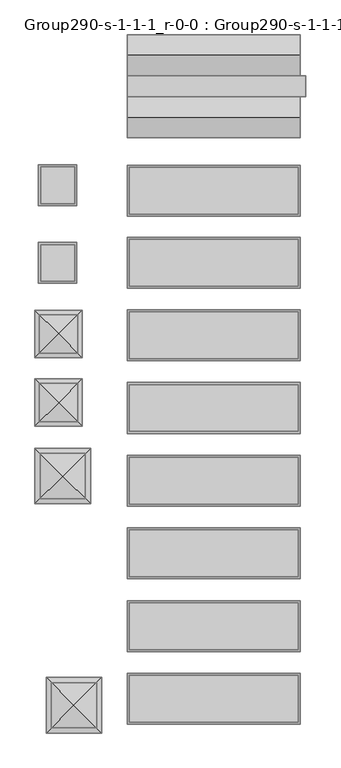
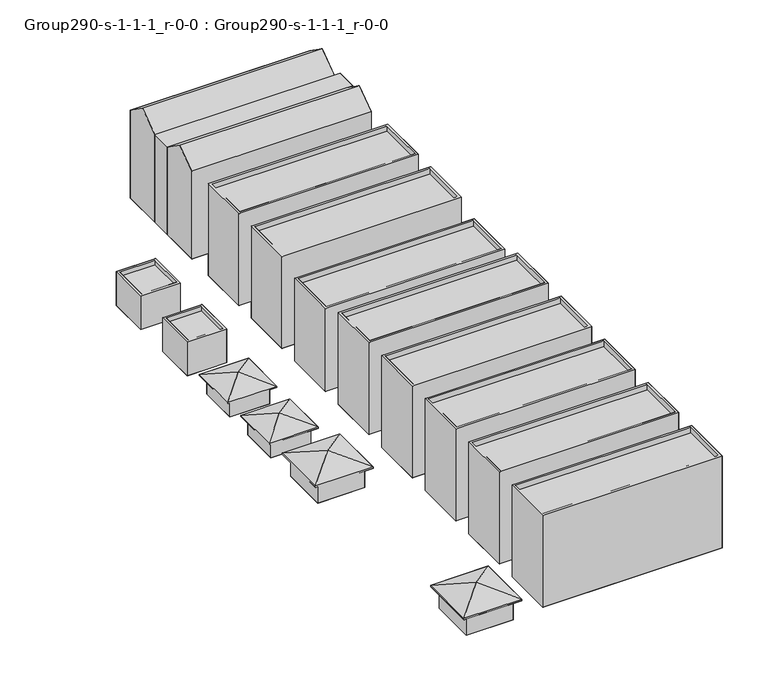
"""IFC4 building model written with IfcOpenShell, lengths in millimetres: geographic element geometry, Group290-s-1-1-1_r-0-0 : Group290-s-1-1-1_r-0-0."""

from ifc_helpers import new_model, si_unit, origin, place, context, project, spatial, triangles, source, transform, mapped, element, save


def group290_s_1_1_1_r_0_0_group290_s_1_1_1_r_0_0_4d778799(model_context):
    return source(origin(), model_context, "Body", "Tessellation", [
        triangles([(-484.1962446, 39887.0258057, 4797.1984634), (-4632.0161041, 44034.8470459, 3327.6114212), (-4632.0161041, 35739.2045654, 3327.6114212), (3663.6237602, 44034.8470459, 3327.6114212), (3663.6237602, 35739.2045654, 3327.6114212), (3663.6237602, 44034.8470459, 3120.4449966), (-4632.0161041, 35739.2045654, 3120.4449966), (-4632.0161041, 44034.8470459, 3120.4449966), (3663.6237602, 35739.2045654, 3120.4449966), (2883.3356323, 43254.5551392, 0.0), (-3851.7282669, 36519.4941467, 0.0), (-3851.7282669, 43254.5551392, 0.0), (2883.3356323, 36519.4941467, 0.0), (2883.3356323, 36519.4941467, 3327.6114212), (-3851.7282669, 36519.4941467, 3327.6114212), (2883.3356323, 43254.5551392, 3327.6114212), (-3851.7282669, 43254.5551392, 3327.6114212), (-1106.3692417, 61026.3029297, 4077.6185486), (-4632.0161041, 64551.9481934, 2828.4695045), (-4632.0161041, 57500.6530151, 2828.4695045), (2419.277766, 64551.9481934, 2828.4695045), (2419.277766, 57500.6530151, 2828.4695045), (2419.277766, 64551.9481934, 2652.3782181), (-4632.0161041, 57500.6530151, 2652.3782181), (-4632.0161041, 64551.9481934, 2652.3782181), (2419.277766, 57500.6530151, 2652.3782181), (1756.03293, 63888.7049561, 0.0), (-3968.7714134, 58163.9009033, 0.0), (-3968.7714134, 63888.7049561, 0.0), (1756.03293, 58163.9009033, 0.0), (1756.03293, 58163.9009033, 2828.4695045), (-3968.7714134, 58163.9009033, 2828.4695045), (1756.03293, 63888.7049561, 2828.4695045), (-3968.7714134, 63888.7049561, 2828.4695045), (-1106.3692417, 50798.0388794, 4077.6185486), (-4632.0161041, 54323.6887939, 2828.4695045), (-4632.0161041, 47272.3936157, 2828.4695045), (2419.277766, 54323.6887939, 2828.4695045), (2419.277766, 47272.3936157, 2828.4695045), (2419.277766, 54323.6887939, 2652.3782181), (-4632.0161041, 47272.3936157, 2652.3782181), (-4632.0161041, 54323.6887939, 2652.3782181), (2419.277766, 47272.3936157, 2652.3782181), (1756.03293, 53660.4409058, 0.0), (-3968.7714134, 47935.636853, 0.0), (-3968.7714134, 53660.4409058, 0.0), (1756.03293, 47935.636853, 0.0), (1756.03293, 47935.636853, 2828.4695045), (-3968.7714134, 47935.636853, 2828.4695045), (1756.03293, 53660.4409058, 2828.4695045), (-3968.7714134, 53660.4409058, 2828.4695045), (1166.3788055, 5832.0841324, 4797.1984634), (-2981.441272, 9979.9047913, 3327.6114212), (-2981.441272, 1684.2643456, 3327.6114212), (5314.1988831, 9979.9047913, 3327.6114212), (5314.1988831, 1684.2643456, 3327.6114212), (5314.1988831, 9979.9047913, 3120.4449966), (-2981.441272, 1684.2643456, 3120.4449966), (-2981.441272, 9979.9047913, 3120.4449966), (5314.1988831, 1684.2643456, 3120.4449966), (4533.9107552, 9199.6163727, 0.0), (-2201.1531441, 2464.5524734, 0.0), (-2201.1531441, 9199.6163727, 0.0), (4533.9107552, 2464.5524734, 0.0), (4533.9107552, 2464.5524734, 3327.6114212), (-2201.1531441, 2464.5524734, 3327.6114212), (4533.9107552, 9199.6163727, 3327.6114212), (-2201.1531441, 9199.6163727, 3327.6114212), (9070.9329483, 3000.8642143, 0.0), (9070.9329483, 10585.9387299, 13963.8069672), (9070.9329483, 10585.9387299, 0.0), (9070.9329483, 3000.8642143, 13963.8069672), (9375.7329483, 3305.6642143, 13963.8069672), (9375.7329483, 10281.1387299, 13140.8467346), (9375.7329483, 10281.1387299, 13963.8069672), (9375.7329483, 3305.6642143, 13140.8467346), (34840.1315369, 3000.8642143, 13963.8069672), (34840.1315369, 3000.8642143, 0.0), (34840.1315369, 10585.9387299, 13963.8069672), (34535.3315369, 10281.1387299, 13963.8069672), (34535.3315369, 3305.6642143, 13963.8069672), (34535.3315369, 3305.6642143, 13140.8467346), (34840.1315369, 10585.9387299, 0.0), (34535.3315369, 10281.1387299, 13140.8467346), (9070.9329483, 46218.1695923, 0.0), (9070.9329483, 53803.2461426, 13963.8069672), (9070.9329483, 53803.2461426, 0.0), (9070.9329483, 46218.1695923, 13963.8069672), (9375.7329483, 46522.9695923, 13963.8069672), (9375.7329483, 53498.4461426, 13140.8467346), (9375.7329483, 53498.4461426, 13963.8069672), (9375.7329483, 46522.9695923, 13140.8467346), (34840.1315369, 46218.1695923, 13963.8069672), (34840.1315369, 46218.1695923, 0.0), (34840.1315369, 53803.2461426, 13963.8069672), (34535.3315369, 53498.4461426, 13963.8069672), (34535.3315369, 46522.9695923, 13963.8069672), (34535.3315369, 46522.9695923, 13140.8467346), (34840.1315369, 53803.2461426, 0.0), (34535.3315369, 53498.4461426, 13140.8467346), (9070.9329483, 67826.8227173, 0.0), (9070.9329483, 75411.8992676, 13963.8069672), (9070.9329483, 75411.8992676, 0.0), (9070.9329483, 67826.8227173, 13963.8069672), (9375.7329483, 68131.6227173, 13963.8069672), (9375.7329483, 75107.0992676, 13140.8467346), (9375.7329483, 75107.0992676, 13963.8069672), (9375.7329483, 68131.6227173, 13140.8467346), (34840.1315369, 67826.8227173, 13963.8069672), (34840.1315369, 67826.8227173, 0.0), (34840.1315369, 75411.8992676, 13963.8069672), (34535.3315369, 75107.0992676, 13963.8069672), (34535.3315369, 68131.6227173, 13963.8069672), (34535.3315369, 68131.6227173, 13140.8467346), (34840.1315369, 75411.8992676, 0.0), (34535.3315369, 75107.0992676, 13140.8467346), (9070.9329483, 57022.4961548, 0.0), (34840.1315369, 64607.5727051, 0.0), (34840.1315369, 57022.4961548, 0.0), (9070.9329483, 64607.5727051, 0.0), (9375.7329483, 57327.2961548, 12597.1438751), (34535.3315369, 57327.2961548, 11774.1836426), (9375.7329483, 57327.2961548, 11774.1836426), (34535.3315369, 57327.2961548, 12597.1438751), (9070.9329483, 64607.5727051, 12597.1438751), (9070.9329483, 57022.4961548, 12597.1438751), (34840.1315369, 64607.5727051, 12597.1438751), (34840.1315369, 57022.4961548, 12597.1438751), (34535.3315369, 64302.7727051, 12597.1438751), (34535.3315369, 64302.7727051, 11774.1836426), (9375.7329483, 64302.7727051, 11774.1836426), (9375.7329483, 64302.7727051, 12597.1438751), (9070.9329483, 13805.1910675, 0.0), (9070.9329483, 21390.2664551, 13963.8069672), (9070.9329483, 21390.2664551, 0.0), (9070.9329483, 13805.1910675, 13963.8069672), (9375.7329483, 14109.9910675, 13963.8069672), (9375.7329483, 21085.4664551, 13140.8467346), (9375.7329483, 21085.4664551, 13963.8069672), (9375.7329483, 14109.9910675, 13140.8467346), (34840.1315369, 13805.1910675, 13963.8069672), (34840.1315369, 13805.1910675, 0.0), (34840.1315369, 21390.2664551, 13963.8069672), (34535.3315369, 21085.4664551, 13963.8069672), (34535.3315369, 14109.9910675, 13963.8069672), (34535.3315369, 14109.9910675, 13140.8467346), (34840.1315369, 21390.2664551, 0.0), (34535.3315369, 21085.4664551, 13140.8467346), (1578.1036743, 86152.4529785, 0.0), (-4099.9517784, 80084.0140869, 0.0), (-4099.9517784, 86152.4529785, 0.0), (1578.1036743, 80084.0140869, 0.0), (1273.3036743, 85847.6529785, 5139.5740768), (-3795.1517784, 85847.6529785, 4481.2061234), (1273.3036743, 85847.6529785, 4481.2061234), (-3795.1517784, 85847.6529785, 5139.5740768), (-4099.9517784, 86152.4529785, 5139.5740768), (1578.1036743, 86152.4529785, 5139.5740768), (1273.3036743, 80388.8140869, 4481.2061234), (-3795.1517784, 80388.8140869, 4481.2061234), (1578.1036743, 80084.0140869, 5139.5740768), (-3795.1517784, 80388.8140869, 5139.5740768), (1273.3036743, 80388.8140869, 5139.5740768), (-4099.9517784, 80084.0140869, 5139.5740768), (1578.1036743, 74614.5014282, 0.0), (-4099.9517784, 68546.0671875, 0.0), (-4099.9517784, 74614.5014282, 0.0), (1578.1036743, 68546.0671875, 0.0), (1273.3036743, 74309.7014282, 5139.5740768), (-3795.1517784, 74309.7014282, 4481.2061234), (1273.3036743, 74309.7014282, 4481.2061234), (-3795.1517784, 74309.7014282, 5139.5740768), (-4099.9517784, 74614.5014282, 5139.5740768), (1578.1036743, 74614.5014282, 5139.5740768), (1273.3036743, 68850.8671875, 4481.2061234), (-3795.1517784, 68850.8671875, 4481.2061234), (1578.1036743, 68546.0671875, 5139.5740768), (-3795.1517784, 68850.8671875, 5139.5740768), (1273.3036743, 68850.8671875, 5139.5740768), (-4099.9517784, 68546.0671875, 5139.5740768), (9070.9329483, 99399.3002197, 0.0), (34840.1315369, 105467.3577393, 0.0), (34840.1315369, 99399.3002197, 0.0), (9070.9329483, 105467.3577393, 0.0), (9070.9329483, 102433.3289795, 15462.9177887), (34840.1315369, 99399.3002197, 13333.4617218), (34840.1315369, 102433.3289795, 15462.9177887), (9070.9329483, 99399.3002197, 13333.4617218), (9070.9329483, 105467.3577393, 13333.4617218), (34840.1315369, 105467.3577393, 13333.4617218), (9070.9329483, 90199.7315186, 0.0), (34840.1315369, 96267.7983398, 0.0), (34840.1315369, 90199.7315186, 0.0), (9070.9329483, 96267.7983398, 0.0), (9070.9329483, 96267.7983398, 13333.4617218), (34840.1315369, 93233.7602783, 15462.9177887), (34840.1315369, 96267.7983398, 13333.4617218), (9070.9329483, 93233.7602783, 15462.9177887), (9070.9329483, 90199.7315186, 13333.4617218), (34840.1315369, 90199.7315186, 13333.4617218), (35654.5190369, 99399.3002197, 0.0), (35654.5190369, 96267.7983398, 0.0), (35654.5190369, 99399.3002197, 13333.4617218), (35654.5190369, 96267.7983398, 13333.4617218), (9070.9329483, 78511.0961426, 0.0), (9070.9329483, 86096.168042, 13963.8069672), (9070.9329483, 86096.168042, 0.0), (9070.9329483, 78511.0961426, 13963.8069672), (9375.7329483, 78815.8961426, 13963.8069672), (9375.7329483, 85791.368042, 13140.8467346), (9375.7329483, 85791.368042, 13963.8069672), (9375.7329483, 78815.8961426, 13140.8467346), (34840.1315369, 78511.0961426, 13963.8069672), (34840.1315369, 78511.0961426, 0.0), (34840.1315369, 86096.168042, 13963.8069672), (34535.3315369, 85791.368042, 13963.8069672), (34535.3315369, 78815.8961426, 13963.8069672), (34535.3315369, 78815.8961426, 13140.8467346), (34840.1315369, 86096.168042, 0.0), (34535.3315369, 85791.368042, 13140.8467346), (9070.9329483, 35413.8430298, 0.0), (9070.9329483, 42998.9195801, 13963.8069672), (9070.9329483, 42998.9195801, 0.0), (9070.9329483, 35413.8430298, 13963.8069672), (9375.7329483, 35718.6430298, 13963.8069672), (9375.7329483, 42694.1195801, 13140.8467346), (9375.7329483, 42694.1195801, 13963.8069672), (9375.7329483, 35718.6430298, 13140.8467346), (34840.1315369, 35413.8430298, 13963.8069672), (34840.1315369, 35413.8430298, 0.0), (34840.1315369, 42998.9195801, 13963.8069672), (34535.3315369, 42694.1195801, 13963.8069672), (34535.3315369, 35718.6430298, 13963.8069672), (34535.3315369, 35718.6430298, 13140.8467346), (34840.1315369, 42998.9195801, 0.0), (34535.3315369, 42694.1195801, 13140.8467346), (9070.9329483, 24609.5164673, 0.0), (9070.9329483, 32194.5930176, 13963.8069672), (9070.9329483, 32194.5930176, 0.0), (9070.9329483, 24609.5164673, 13963.8069672), (9375.7329483, 24914.3164673, 13963.8069672), (9375.7329483, 31889.7930176, 13140.8467346), (9375.7329483, 31889.7930176, 13963.8069672), (9375.7329483, 24914.3164673, 13140.8467346), (34840.1315369, 24609.5164673, 13963.8069672), (34840.1315369, 24609.5164673, 0.0), (34840.1315369, 32194.5930176, 13963.8069672), (34535.3315369, 31889.7930176, 13963.8069672), (34535.3315369, 24914.3164673, 13963.8069672), (34535.3315369, 24914.3164673, 13140.8467346), (34840.1315369, 32194.5930176, 0.0), (34535.3315369, 31889.7930176, 13140.8467346)], [[1, 2, 3], [4, 2, 1], [5, 1, 3], [4, 1, 5], [6, 7, 8], [7, 6, 9], [2, 7, 3], [7, 2, 8], [2, 6, 8], [6, 2, 4], [6, 5, 9], [5, 6, 4], [5, 7, 9], [7, 5, 3], [10, 11, 12], [11, 10, 13], [14, 11, 13], [11, 14, 15], [10, 14, 13], [14, 10, 16], [17, 10, 12], [10, 17, 16], [17, 11, 15], [11, 17, 12], [14, 17, 15], [17, 14, 16], [18, 19, 20], [21, 19, 18], [22, 18, 20], [21, 18, 22], [23, 24, 25], [24, 23, 26], [19, 24, 20], [24, 19, 25], [19, 23, 25], [23, 19, 21], [23, 22, 26], [22, 23, 21], [22, 24, 26], [24, 22, 20], [27, 28, 29], [28, 27, 30], [31, 28, 30], [28, 31, 32], [27, 31, 30], [31, 27, 33], [34, 27, 29], [27, 34, 33], [34, 28, 32], [28, 34, 29], [31, 34, 32], [34, 31, 33], [35, 36, 37], [38, 36, 35], [39, 35, 37], [38, 35, 39], [40, 41, 42], [41, 40, 43], [36, 41, 37], [41, 36, 42], [36, 40, 42], [40, 36, 38], [40, 39, 43], [39, 40, 38], [39, 41, 43], [41, 39, 37], [44, 45, 46], [45, 44, 47], [48, 45, 47], [45, 48, 49], [44, 48, 47], [48, 44, 50], [51, 44, 46], [44, 51, 50], [51, 45, 49], [45, 51, 46], [48, 51, 49], [51, 48, 50], [52, 53, 54], [55, 53, 52], [56, 52, 54], [55, 52, 56], [57, 58, 59], [58, 57, 60], [53, 58, 54], [58, 53, 59], [53, 57, 59], [57, 53, 55], [57, 56, 60], [56, 57, 55], [56, 58, 60], [58, 56, 54], [61, 62, 63], [62, 61, 64], [65, 62, 64], [62, 65, 66], [61, 65, 64], [65, 61, 67], [68, 61, 63], [61, 68, 67], [68, 62, 66], [62, 68, 63], [65, 68, 66], [68, 65, 67], [69, 70, 71], [70, 69, 72], [73, 74, 75], [74, 73, 76], [77, 69, 78], [69, 77, 72], [79, 80, 77], [80, 79, 70], [80, 70, 75], [75, 70, 73], [77, 81, 72], [81, 77, 80], [72, 81, 73], [72, 73, 70], [73, 82, 76], [82, 73, 81], [71, 79, 83], [79, 71, 70], [82, 80, 84], [80, 82, 81], [80, 74, 84], [74, 80, 75], [69, 83, 78], [83, 69, 71], [74, 82, 84], [82, 74, 76], [79, 78, 83], [78, 79, 77], [85, 86, 87], [86, 85, 88], [89, 90, 91], [90, 89, 92], [93, 85, 94], [85, 93, 88], [95, 96, 93], [96, 95, 86], [96, 86, 91], [91, 86, 89], [93, 97, 88], [97, 93, 96], [88, 97, 89], [88, 89, 86], [89, 98, 92], [98, 89, 97], [87, 95, 99], [95, 87, 86], [98, 96, 100], [96, 98, 97], [96, 90, 100], [90, 96, 91], [85, 99, 94], [99, 85, 87], [90, 98, 100], [98, 90, 92], [95, 94, 99], [94, 95, 93], [101, 102, 103], [102, 101, 104], [105, 106, 107], [106, 105, 108], [109, 101, 110], [101, 109, 104], [111, 112, 109], [112, 111, 102], [112, 102, 107], [107, 102, 105], [109, 113, 104], [113, 109, 112], [104, 113, 105], [104, 105, 102], [105, 114, 108], [114, 105, 113], [103, 111, 115], [111, 103, 102], [114, 112, 116], [112, 114, 113], [112, 106, 116], [106, 112, 107], [101, 115, 110], [115, 101, 103], [106, 114, 116], [114, 106, 108], [111, 110, 115], [110, 111, 109], [117, 118, 119], [118, 117, 120], [121, 122, 123], [122, 121, 124], [117, 125, 120], [125, 117, 126], [127, 119, 118], [119, 127, 128], [120, 127, 118], [127, 120, 125], [128, 117, 119], [117, 128, 126], [122, 129, 130], [129, 122, 124], [129, 131, 130], [131, 129, 132], [131, 122, 130], [122, 131, 123], [127, 129, 128], [129, 127, 125], [129, 125, 132], [132, 125, 121], [128, 124, 126], [124, 128, 129], [126, 124, 121], [126, 121, 125], [121, 131, 132], [131, 121, 123], [133, 134, 135], [134, 133, 136], [137, 138, 139], [138, 137, 140], [141, 133, 142], [133, 141, 136], [143, 144, 141], [144, 143, 134], [144, 134, 139], [139, 134, 137], [141, 145, 136], [145, 141, 144], [136, 145, 137], [136, 137, 134], [137, 146, 140], [146, 137, 145], [135, 143, 147], [143, 135, 134], [146, 144, 148], [144, 146, 145], [144, 138, 148], [138, 144, 139], [133, 147, 142], [147, 133, 135], [138, 146, 148], [146, 138, 140], [143, 142, 147], [142, 143, 141], [149, 150, 151], [150, 149, 152], [153, 154, 155], [154, 153, 156], [157, 149, 151], [149, 157, 158], [159, 154, 160], [154, 159, 155], [149, 161, 152], [161, 149, 158], [162, 159, 160], [159, 162, 163], [164, 162, 157], [162, 164, 161], [162, 161, 163], [163, 161, 153], [157, 156, 158], [156, 157, 162], [158, 156, 153], [158, 153, 161], [153, 159, 163], [159, 153, 155], [154, 162, 160], [162, 154, 156], [161, 150, 152], [150, 161, 164], [157, 150, 164], [150, 157, 151], [165, 166, 167], [166, 165, 168], [169, 170, 171], [170, 169, 172], [173, 165, 167], [165, 173, 174], [175, 170, 176], [170, 175, 171], [165, 177, 168], [177, 165, 174], [178, 175, 176], [175, 178, 179], [180, 178, 173], [178, 180, 177], [178, 177, 179], [179, 177, 169], [173, 172, 174], [172, 173, 178], [174, 172, 169], [174, 169, 177], [169, 175, 179], [175, 169, 171], [170, 178, 176], [178, 170, 172], [177, 166, 168], [166, 177, 180], [173, 166, 180], [166, 173, 167], [181, 182, 183], [182, 181, 184], [185, 186, 187], [186, 185, 188], [189, 187, 190], [187, 189, 185], [191, 192, 193], [192, 191, 194], [195, 196, 197], [196, 195, 198], [196, 199, 200], [199, 196, 198], [192, 201, 202], [201, 192, 183], [183, 192, 194], [183, 194, 181], [203, 197, 204], [197, 203, 186], [197, 186, 195], [195, 186, 188], [184, 190, 182], [190, 184, 189], [184, 185, 189], [185, 184, 181], [185, 181, 188], [181, 195, 188], [195, 181, 194], [194, 198, 195], [198, 194, 191], [198, 191, 199], [200, 191, 193], [191, 200, 199], [197, 193, 192], [193, 197, 196], [193, 196, 200], [194, 197, 192], [197, 194, 195], [190, 183, 182], [183, 190, 187], [183, 187, 186], [186, 181, 183], [181, 186, 188], [203, 202, 201], [202, 203, 204], [183, 203, 201], [203, 183, 186], [204, 192, 202], [192, 204, 197], [205, 206, 207], [206, 205, 208], [209, 210, 211], [210, 209, 212], [213, 205, 214], [205, 213, 208], [215, 216, 213], [216, 215, 206], [216, 206, 211], [211, 206, 209], [213, 217, 208], [217, 213, 216], [208, 217, 209], [208, 209, 206], [209, 218, 212], [218, 209, 217], [207, 215, 219], [215, 207, 206], [218, 216, 220], [216, 218, 217], [216, 210, 220], [210, 216, 211], [205, 219, 214], [219, 205, 207], [210, 218, 220], [218, 210, 212], [215, 214, 219], [214, 215, 213], [221, 222, 223], [222, 221, 224], [225, 226, 227], [226, 225, 228], [229, 221, 230], [221, 229, 224], [231, 232, 229], [232, 231, 222], [232, 222, 227], [227, 222, 225], [229, 233, 224], [233, 229, 232], [224, 233, 225], [224, 225, 222], [225, 234, 228], [234, 225, 233], [223, 231, 235], [231, 223, 222], [234, 232, 236], [232, 234, 233], [232, 226, 236], [226, 232, 227], [221, 235, 230], [235, 221, 223], [226, 234, 236], [234, 226, 228], [231, 230, 235], [230, 231, 229], [237, 238, 239], [238, 237, 240], [241, 242, 243], [242, 241, 244], [245, 237, 246], [237, 245, 240], [247, 248, 245], [248, 247, 238], [248, 238, 243], [243, 238, 241], [245, 249, 240], [249, 245, 248], [240, 249, 241], [240, 241, 238], [241, 250, 244], [250, 241, 249], [239, 247, 251], [247, 239, 238], [250, 248, 252], [248, 250, 249], [248, 242, 252], [242, 248, 243], [237, 251, 246], [251, 237, 239], [242, 250, 252], [250, 242, 244], [247, 246, 251], [246, 247, 245]], closed=False),
    ])


if __name__ == "__main__":
    model = new_model("IFC4")
    model_context = context("Model", 3, world=origin())
    ifc_project = project(units=[si_unit("LENGTHUNIT", "METRE", prefix="MILLI")], contexts=[model_context])
    site = spatial("IfcSite", under=ifc_project)
    building = spatial("IfcBuilding", under=site)
    placement = place(None, origin())
    group290_s_1_1_1_r_0_0_group290_s_1_1_1_r_0_0_shape = group290_s_1_1_1_r_0_0_group290_s_1_1_1_r_0_0_4d778799(model_context)
    element("IfcGeographicElement", 1, ObjectType="Group290-s-1-1-1_r-0-0 : Group290-s-1-1-1_r-0-0", at=placement, inside=building, context=model_context, shape_type="MappedRepresentation", body=[
        mapped(group290_s_1_1_1_r_0_0_group290_s_1_1_1_r_0_0_shape, transform((0.0, 0.0, 0.0), x_axis=(1.0, 0.0, 0.0), y_axis=(0.0, 1.0, 0.0), z_axis=(0.0, 0.0, 1.0))),
    ])
    save(model, "model.ifc")
